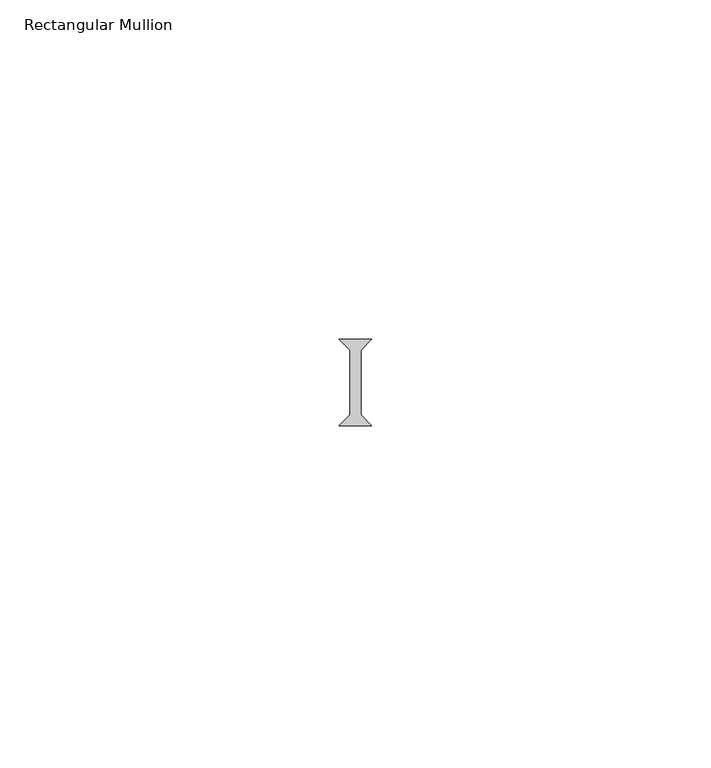
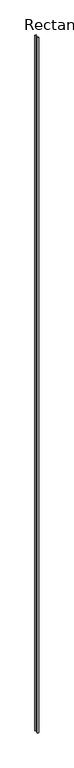
"""IFC4 building model written with IfcOpenShell, lengths in millimetres: member geometry, Rectangular Mullion."""

from ifc_helpers import new_model, si_unit, frame, origin, place, context, project, spatial, polyline, outline, extrude, source, transform, mapped, element, save


def rectangular_mullion_254a3b90(model_context):
    return source(origin(), model_context, "Body", "SweptSolid", [
        extrude(outline(polyline([(-2.38125, 23.8125), (-0.79375, 25.4), (-0.79375, 34.925), (-2.38125, 36.5125), (2.38125, 36.5125), (0.79375, 34.925), (0.79375, 25.4), (2.38125, 23.8125), (-2.38125, 23.8125)])), frame((0.0, 0.0, -2336.8), z_axis=(0.0, 0.0, 1.0), x_axis=(1.0, 0.0, 0.0)), (0.0, 0.0, 1.0), 2336.8),
    ])


if __name__ == "__main__":
    model = new_model("IFC4")
    model_context = context("Model", 3, world=origin())
    ifc_project = project(units=[si_unit("LENGTHUNIT", "METRE", prefix="MILLI")], contexts=[model_context])
    site = spatial("IfcSite", under=ifc_project)
    building = spatial("IfcBuilding", under=site)
    placement = place(None, origin())
    rectangular_mullion_shape = rectangular_mullion_254a3b90(model_context)
    element("IfcMember", 1, ObjectType="Rectangular Mullion", at=placement, inside=building, context=model_context, shape_type="MappedRepresentation", body=[
        mapped(rectangular_mullion_shape, transform((0.0, 0.0, 0.0), x_axis=(1.0, 0.0, 0.0), y_axis=(0.0, 1.0, 0.0), z_axis=(0.0, 0.0, 1.0))),
    ])
    save(model, "model.ifc")
